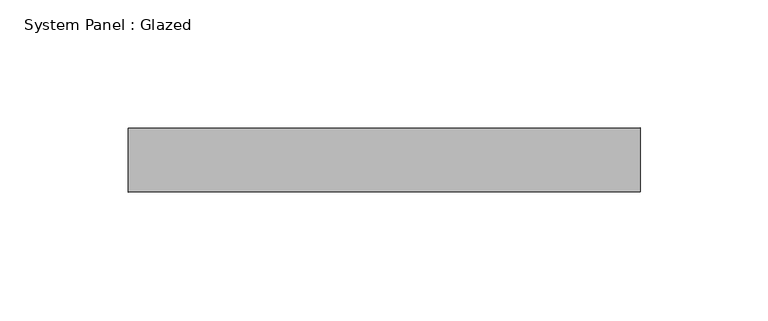
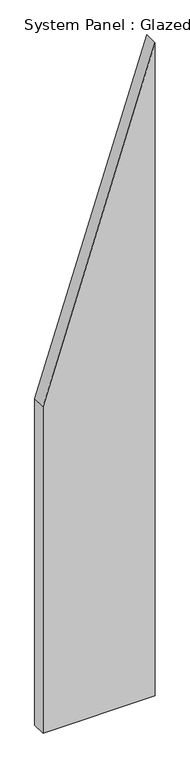
"""IFC4 building model written with IfcOpenShell, lengths in millimetres: plate geometry, System Panel : Glazed."""

import ifcopenshell
import ifcopenshell.guid

model = None  # the IFC model being written
_history = None  # IfcOwnerHistory: only IFC2X3 demands one
_inside = {}  # id of a spatial element -> (the spatial element, [elements in it])
_under = {}  # id of a project, library or spatial element -> (it, [spatial elements below it])
_declared = {}  # id of a project -> (the project, [libraries it declares])
_typed = {}  # id of a type object -> (the type object, [elements of that type])
_made_of = {}  # id of a material, layer set ... -> (it, [elements and type objects made of it])


def new_model(schema):
    """Start an empty IFC model of exactly this schema.

    Asked for "IFC4X3", IfcOpenShell would pick the latest addendum, in which some entities
    have other attributes; the version numbers below select the first issue.
    IFC2X3 requires an IfcOwnerHistory on every rooted entity: one is made here for all.
    """
    global model, _history
    if schema == "IFC4X3":
        model = ifcopenshell.file(schema_version=(4, 3, 0, 0))
    else:
        model = ifcopenshell.file(schema=schema)
    _inside.clear()
    _under.clear()
    _declared.clear()
    _typed.clear()
    _made_of.clear()
    _history = None
    if model.schema == "IFC2X3":
        org = make("IfcOrganization", Name="unknown")
        user = make(
            "IfcPersonAndOrganization",
            ThePerson=make("IfcPerson", FamilyName="unknown"),
            TheOrganization=org,
        )
        app = make(
            "IfcApplication",
            ApplicationDeveloper=org,
            Version="unknown",
            ApplicationFullName="unknown",
            ApplicationIdentifier="unknown",
        )
        _history = make(
            "IfcOwnerHistory",
            OwningUser=user,
            OwningApplication=app,
            ChangeAction="ADDED",
            CreationDate=0,
        )
    return model


def make(cls, **values):
    """One entity of the class cls with the attributes given. An attribute that is None is left unset."""
    return model.create_entity(
        cls, **{name: value for name, value in values.items() if value is not None}
    )


def rooted(cls, **values):
    """An entity with a GlobalId (a new one), such as an element, a storey or a relation."""
    return make(cls, GlobalId=ifcopenshell.guid.new(), OwnerHistory=_history, **values)


def si_unit(unit_type, name, prefix=None):
    """IfcSIUnit, for example si_unit("LENGTHUNIT", "METRE", prefix="MILLI")."""
    return make("IfcSIUnit", UnitType=unit_type, Prefix=prefix, Name=name)


def assignment(units):
    """IfcUnitAssignment: the units of a project."""
    return None if units is None else make("IfcUnitAssignment", Units=units)


def point(xyz):
    """IfcCartesianPoint."""
    return None if xyz is None else make("IfcCartesianPoint", Coordinates=xyz)


def direction(xyz):
    """IfcDirection."""
    return None if xyz is None else make("IfcDirection", DirectionRatios=xyz)


def frame(location, z_axis=None, x_axis=None):
    """IfcAxis2Placement3D, a coordinate frame: its origin and axes. An axis left out is left unset."""
    return make(
        "IfcAxis2Placement3D",
        Location=point(location),
        Axis=direction(z_axis),
        RefDirection=direction(x_axis),
    )


def origin():
    """The frame at (0, 0, 0) with its axes left unset."""
    return frame((0.0, 0.0, 0.0))


def place(relative_to, where):
    """IfcLocalPlacement: puts the frame where relative to a parent placement (None: the world)."""
    return make(
        "IfcLocalPlacement", PlacementRelTo=relative_to, RelativePlacement=where
    )


def context(
    kind, dimensions, precision=None, world=None, true_north=None, identifier=None
):
    """IfcGeometricRepresentationContext, for example the 3D "Model" context."""
    return make(
        "IfcGeometricRepresentationContext",
        ContextIdentifier=identifier,
        ContextType=kind,
        CoordinateSpaceDimension=dimensions,
        Precision=precision,
        WorldCoordinateSystem=world,
        TrueNorth=true_north,
    )


def project(units=None, contexts=None):
    """IfcProject with its units and contexts."""
    return rooted(
        "IfcProject",
        Name="project",
        RepresentationContexts=contexts,
        UnitsInContext=assignment(units),
    )


def spatial(cls, under=None, at=None, **own):
    """A site, building, storey or space (cls), placed at a placement, below another one or the project."""
    s = rooted(cls, ObjectPlacement=at, **own)
    if under is not None:
        _under.setdefault(under.id(), (under, []))[1].append(s)
    return s


def polyline(points):
    """IfcPolyline through the points."""
    return make("IfcPolyline", Points=[point(p) for p in points])


def outline(outer, holes=None, kind="AREA"):
    """IfcArbitraryClosedProfileDef: a profile drawn as a closed curve; with holes, ...WithVoids."""
    if holes is None:
        return make("IfcArbitraryClosedProfileDef", ProfileType=kind, OuterCurve=outer)
    return make(
        "IfcArbitraryProfileDefWithVoids",
        ProfileType=kind,
        OuterCurve=outer,
        InnerCurves=holes,
    )


def extrude(swept, where, along, depth):
    """IfcExtrudedAreaSolid: the profile swept, set in the frame where, extruded along a direction by depth."""
    return make(
        "IfcExtrudedAreaSolid",
        SweptArea=swept,
        Position=where,
        ExtrudedDirection=direction(along),
        Depth=depth,
    )


def shape(context_of_items, identifier, shape_type, items):
    """IfcShapeRepresentation: the items that make up one representation, for example the "Body"."""
    return make(
        "IfcShapeRepresentation",
        ContextOfItems=context_of_items,
        RepresentationIdentifier=identifier,
        RepresentationType=shape_type,
        Items=items,
    )


def source(mapping_origin, context_of_items, identifier, shape_type, items):
    """IfcRepresentationMap: a shape defined once, which mapped items show again and again."""
    return make(
        "IfcRepresentationMap",
        MappingOrigin=mapping_origin,
        MappedRepresentation=shape(context_of_items, identifier, shape_type, items),
    )


def transform(
    local_origin,
    x_axis=None,
    y_axis=None,
    z_axis=None,
    scale=None,
    scale2=None,
    scale3=None,
    uniform=True,
):
    """IfcCartesianTransformationOperator3D, or its non-uniform kind. x_axis, y_axis, z_axis: its Axis1, 2, 3."""
    if uniform:
        return make(
            "IfcCartesianTransformationOperator3D",
            Axis1=direction(x_axis),
            Axis2=direction(y_axis),
            LocalOrigin=point(local_origin),
            Scale=scale,
            Axis3=direction(z_axis),
        )
    return make(
        "IfcCartesianTransformationOperator3DnonUniform",
        Axis1=direction(x_axis),
        Axis2=direction(y_axis),
        LocalOrigin=point(local_origin),
        Scale=scale,
        Axis3=direction(z_axis),
        Scale2=scale2,
        Scale3=scale3,
    )


def mapped(mapping_source, mapping_target):
    """IfcMappedItem: shows the shape of a source again, moved by a transform."""
    return make(
        "IfcMappedItem", MappingSource=mapping_source, MappingTarget=mapping_target
    )


def made_of(thing, what):
    """Note that an element or type object is made of a material, layer set ...; save() writes the relation."""
    if what is not None:
        _made_of.setdefault(what.id(), (what, []))[1].append(thing)
    return thing


def element(
    cls,
    number,
    at=None,
    inside=None,
    cuts=None,
    type_object=None,
    material=None,
    context=None,
    identifier="Body",
    shape_type=None,
    held_by="IfcProductDefinitionShape",
    body=None,
    shapes=None,
    **own,
):
    """One element of the class cls, such as IfcWall. Its Tag is "e" and its number.

    at: its placement. inside: the storey or other place that contains it. cuts: it is an
    opening in that element (IfcRelVoidsElement). A single representation is given by context,
    identifier, shape_type and body (its items); several are given by shapes. held_by: the class
    of the entity that holds the representations. save() writes the other relations.
    """
    e = rooted(cls, Tag="e%d" % number, ObjectPlacement=at, **own)
    if body is not None:
        shapes = [shape(context, identifier, shape_type, body)]
    if shapes is not None:
        e.Representation = make(held_by, Representations=shapes)
    if inside is not None:
        _inside.setdefault(inside.id(), (inside, []))[1].append(e)
    if cuts is not None:
        rooted(
            "IfcRelVoidsElement", RelatingBuildingElement=cuts, RelatedOpeningElement=e
        )
    if type_object is not None:
        _typed.setdefault(type_object.id(), (type_object, []))[1].append(e)
    return made_of(e, material)


def aggregate(whole, parts):
    """IfcRelAggregates: a whole, such as a stair, and the parts it consists of."""
    return rooted("IfcRelAggregates", RelatingObject=whole, RelatedObjects=parts)


def save(model, path):
    """Write the relations noted so far, then the file.

    IfcRelAggregates (storeys below a building ...), IfcRelContainedInSpatialStructure (elements
    in a storey), IfcRelDefinesByType, IfcRelAssociatesMaterial and IfcRelDeclares: one each for
    every whole, place, type object, material and project.
    """
    for whole, parts in _under.values():
        aggregate(whole, parts)
    for where, things in _inside.values():
        rooted(
            "IfcRelContainedInSpatialStructure",
            RelatedElements=things,
            RelatingStructure=where,
        )
    for kind, things in _typed.values():
        rooted("IfcRelDefinesByType", RelatedObjects=things, RelatingType=kind)
    for what, things in _made_of.values():
        rooted("IfcRelAssociatesMaterial", RelatedObjects=things, RelatingMaterial=what)
    for by, libraries in _declared.values():
        rooted("IfcRelDeclares", RelatingContext=by, RelatedDefinitions=libraries)
    model.write(path)


def system_panel_glazed_3ca4df96(model_context):
    return source(origin(), model_context, "Body", "SweptSolid", [
        extrude(outline(polyline([(0.0, -100.0), (0.0, 100.0), (1230.7692317, 100.0), (615.3846163, -100.0), (0.0, -100.0)])), frame((0.0, 24.5, 0.0), z_axis=(0.0, 1.0, 0.0), x_axis=(0.0, 0.0, 1.0)), (0.0, 0.0, 1.0), 25.0),
    ])


if __name__ == "__main__":
    model = new_model("IFC4")
    model_context = context("Model", 3, world=origin())
    ifc_project = project(units=[si_unit("LENGTHUNIT", "METRE", prefix="MILLI")], contexts=[model_context])
    site = spatial("IfcSite", under=ifc_project)
    building = spatial("IfcBuilding", under=site)
    placement = place(None, origin())
    system_panel_glazed_shape = system_panel_glazed_3ca4df96(model_context)
    element("IfcPlate", 1, ObjectType="System Panel : Glazed", at=placement, inside=building, context=model_context, shape_type="MappedRepresentation", body=[
        mapped(system_panel_glazed_shape, transform((0.0, 0.0, 0.0), x_axis=(1.0, 0.0, 0.0), y_axis=(0.0, 1.0, 0.0), z_axis=(0.0, 0.0, 1.0))),
    ])
    save(model, "model.ifc")
